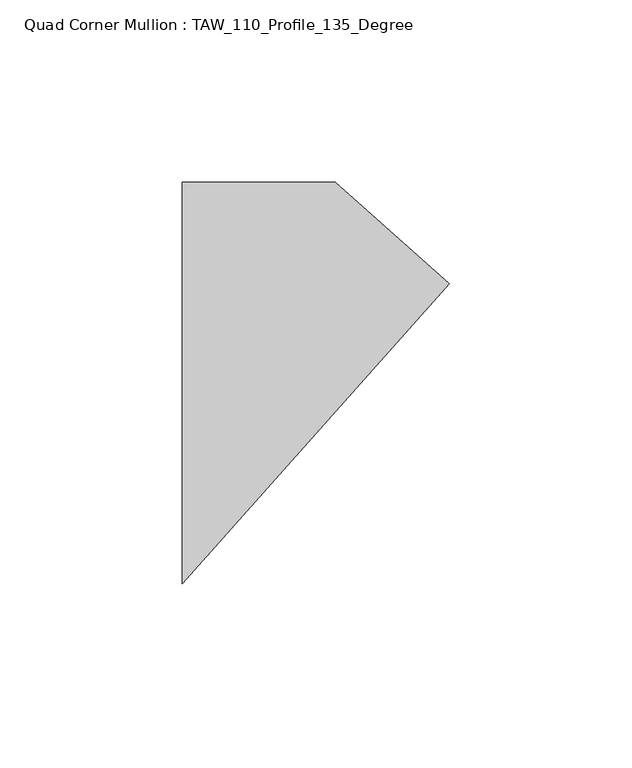
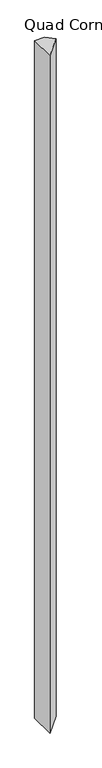
"""IFC4 building model written with IfcOpenShell, lengths in millimetres: member geometry, Quad Corner Mullion : TAW_110_Profile_135_Degree."""

from ifc_helpers import new_model, si_unit, frame, origin, place, context, project, spatial, polyline, outline, extrude, source, transform, mapped, element, save


def quad_corner_mullion_taw_110_profile_135_degree_e1fcf75d(model_context):
    return source(origin(), model_context, "Body", "SweptSolid", [
        extrude(outline(polyline([(52.1933005, 27.1800878), (-20.9260074, -55.0), (-20.9260074, 55.0), (20.9260074, 55.0), (52.1933005, 27.1800878)])), frame((0.0, 0.0, -3000.0), z_axis=(0.0, 0.0, 1.0), x_axis=(1.0, 0.0, 0.0)), (0.0, 0.0, 1.0), 3000.0),
    ])


if __name__ == "__main__":
    model = new_model("IFC4")
    model_context = context("Model", 3, world=origin())
    ifc_project = project(units=[si_unit("LENGTHUNIT", "METRE", prefix="MILLI")], contexts=[model_context])
    site = spatial("IfcSite", under=ifc_project)
    building = spatial("IfcBuilding", under=site)
    placement = place(None, origin())
    quad_corner_mullion_taw_110_profile_135_degree_shape = quad_corner_mullion_taw_110_profile_135_degree_e1fcf75d(model_context)
    element("IfcMember", 1, ObjectType="Quad Corner Mullion : TAW_110_Profile_135_Degree", at=placement, inside=building, context=model_context, shape_type="MappedRepresentation", body=[
        mapped(quad_corner_mullion_taw_110_profile_135_degree_shape, transform((0.0, 0.0, 0.0), x_axis=(1.0, 0.0, 0.0), y_axis=(0.0, 1.0, 0.0), z_axis=(0.0, 0.0, 1.0))),
    ])
    save(model, "model.ifc")
